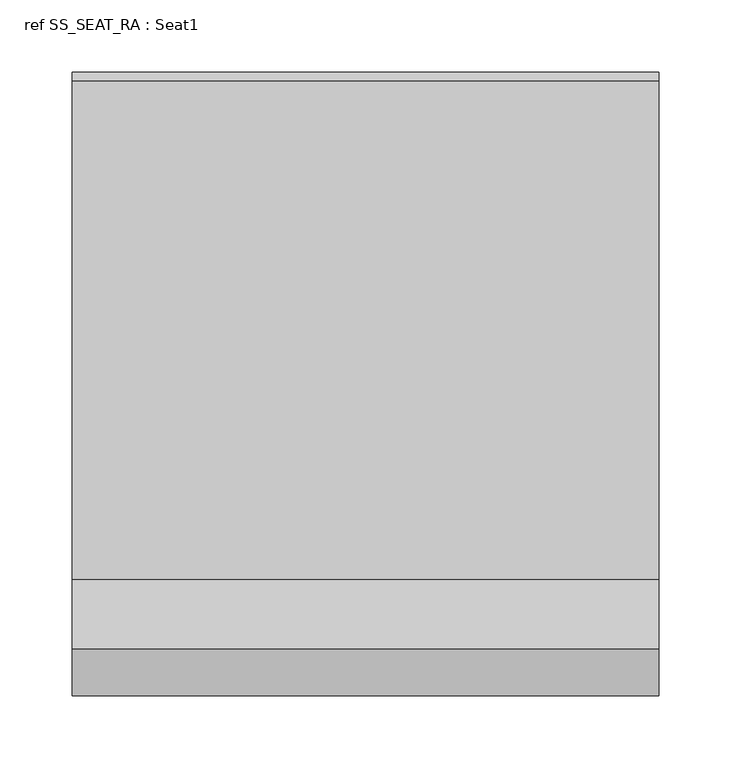
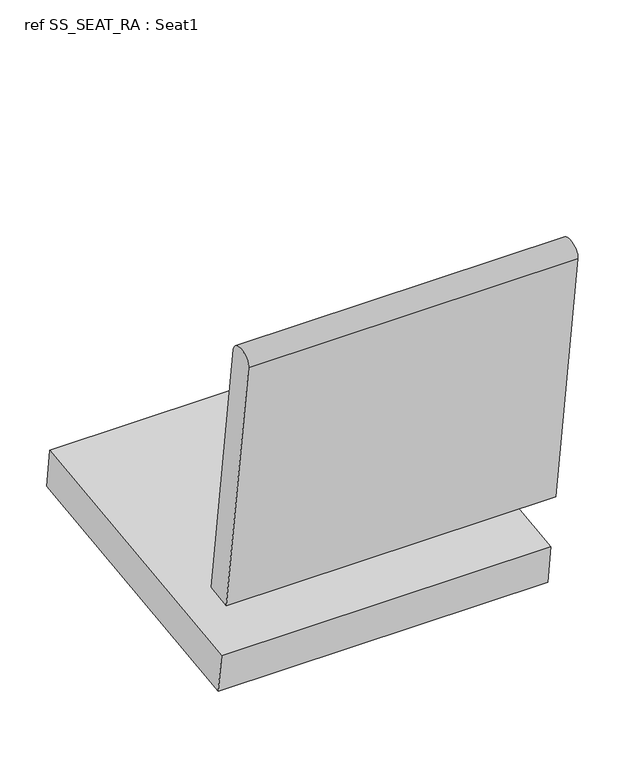
"""IFC4 building model written with IfcOpenShell, lengths in millimetres: furniture geometry, ref SS_SEAT_RA : Seat1."""

from ifc_helpers import new_model, si_unit, point, frame, origin, place, context, project, spatial, ellipse_curve, trimmed, faceted_brep, source, transform, mapped, element, save
from ifc_brep_helpers import plane_surface, extruded_surface, advanced_brep


def ref_ss_seat_ra_seat1_f27b58ac(model_context):
    return source(origin(), model_context, "Body", "SolidModel", [
        faceted_brep([(-203.2, 113.9966481, 335.124464), (-203.2, 106.9255776, 385.4377448), (-203.2, 474.641539, 430.5875877), (-203.2, 480.8325016, 380.1662432), (203.2, 113.9966481, 335.124464), (203.2, 480.8325016, 380.1662432), (203.2, 474.641539, 430.5875877), (203.2, 106.9255776, 385.4377448)], [[[0, 1, 2, 3]], [[4, 5, 6, 7]], [[1, 0, 4, 7]], [[2, 1, 7, 6]], [[3, 2, 6, 5]], [[0, 3, 5, 4]]]),
        advanced_brep(
        [(-203.2, 49.1954747, 796.2087711), (-203.2, 81.7054153, 800.7777452), (-203.2, 129.4278716, 461.2148245), (-203.2, 96.917931, 456.6458503), (203.2, 49.1954747, 796.2087711), (203.2, 96.917931, 456.6458503), (203.2, 129.4278716, 461.2148245), (203.2, 81.7054153, 800.7777452)],
        [
            (0, 1, ellipse_curve(frame((-203.2, 65.450445, 798.4932581), z_axis=(-1.0, 0.0, 0.0), x_axis=(0.0, -0.9902680687415757, -0.1391731009600272)), 16.4147172, 12.7)),
            (1, 2),
            (2, 3),
            (3, 0),
            (4, 5),
            (5, 6),
            (6, 7),
            (7, 4, ellipse_curve(frame((203.2, 65.450445, 798.4932581), z_axis=(1.0, 0.0, 0.0), x_axis=(0.0, -0.9902680687415757, -0.1391731009600272)), 16.4147172, 12.7)),
            (1, 7),
            (6, 2),
            (5, 3),
            (4, 0),
        ],
        [
            plane_surface(frame((-203.2, 113.9966481, 335.124464), z_axis=(-1.0, 0.0, 0.0), x_axis=(0.0, -0.1391731009600273, 0.9902680687415757))),
            plane_surface(frame((203.2, 113.9966481, 335.124464), z_axis=(1.0, 0.0, 0.0), x_axis=(0.0, 0.1391731009600273, -0.9902680687415757))),
            plane_surface(frame((-203.2, 81.7054153, 800.7777452), z_axis=(0.0, 0.9902680687415755, 0.13917310096002888), x_axis=(1.0, 0.0, 0.0))),
            plane_surface(frame((-203.2, 129.4278716, 461.2148245), z_axis=(0.0, 0.13917310096003188, -0.990268068741575), x_axis=(1.0, 0.0, 0.0))),
            plane_surface(frame((-203.2, 96.917931, 456.6458503), z_axis=(0.0, -0.9902680687415755, -0.13917310096002874), x_axis=(1.0, 0.0, 0.0))),
            extruded_surface(trimmed(ellipse_curve(frame((406.4, 65.450445, 798.4932581), z_axis=(-1.0, 0.0, 0.0), x_axis=(0.0, -0.9902680687415757, -0.1391731009600272)), 16.4147172, 12.7), [point((406.4, 49.1954747, 796.2087711))], [point((406.4, 81.7054153, 800.7777452))], True, "CARTESIAN"), (-406.4, 0.0, 0.0), 406.4),
        ],
        [
            (0, [[1, 2, 3, 4]]),
            (1, [[5, 6, 7, 8]]),
            (2, [[-2, 9, -7, 10]]),
            (3, [[-3, -10, -6, 11]]),
            (4, [[-4, -11, -5, 12]]),
            (5, [[-1, -12, -8, -9]]),
        ],
    ),
    ])


if __name__ == "__main__":
    model = new_model("IFC4")
    model_context = context("Model", 3, world=origin())
    ifc_project = project(units=[si_unit("LENGTHUNIT", "METRE", prefix="MILLI")], contexts=[model_context])
    site = spatial("IfcSite", under=ifc_project)
    building = spatial("IfcBuilding", under=site)
    placement = place(None, origin())
    ref_ss_seat_ra_seat1_shape = ref_ss_seat_ra_seat1_f27b58ac(model_context)
    element("IfcFurniture", 1, ObjectType="ref SS_SEAT_RA : Seat1", at=placement, inside=building, context=model_context, shape_type="MappedRepresentation", body=[
        mapped(ref_ss_seat_ra_seat1_shape, transform((0.0, 0.0, 0.0), x_axis=(1.0, 0.0, 0.0), y_axis=(0.0, 1.0, 0.0), z_axis=(0.0, 0.0, 1.0))),
    ])
    save(model, "model.ifc")
